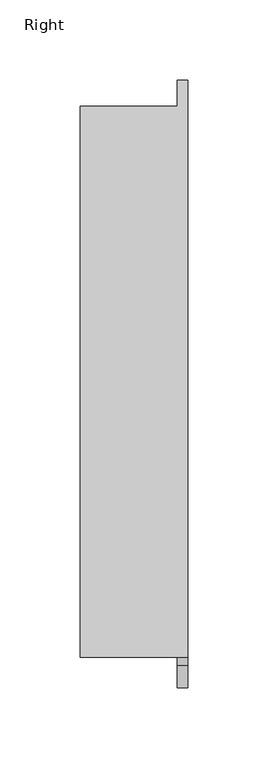
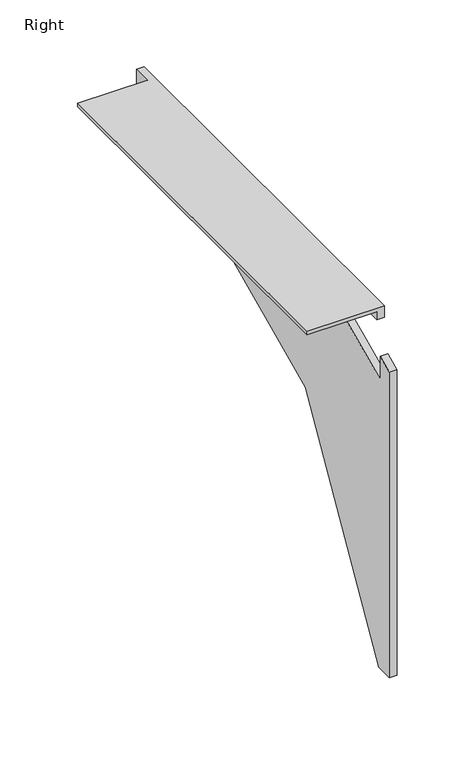
"""IFC4 building model written with IfcOpenShell, lengths in millimetres: furniture geometry, Right."""

from ifc_helpers import new_model, si_unit, origin, place, context, project, spatial, faceted_brep, source, transform, mapped, element, save


def right_431e3d68(model_context):
    return source(origin(), model_context, "Body", "Brep", [
        faceted_brep([(0.0, 18.8652729, 683.2686138), (0.0, 90.6996964, 682.9788786), (0.0, 93.4246754, 668.6474859), (0.0, 13.564579, 631.915353), (0.0, 13.564579, 653.112751), (0.0, 0.0, 646.9179983), (0.0, 0.0, 367.9598803), (0.0, 15.8528841, 367.9598803), (0.0, 126.1876465, 556.5973486), (0.0, 378.005924, 673.1603645), (0.0, 378.005924, 693.7373789), (0.0, 18.8652729, 693.7373789), (-6.3496124, 18.8652729, 683.2686138), (-6.3496124, 18.8652729, 690.6147928), (-6.3496124, 361.7652002, 690.6147928), (-6.3496124, 361.7652002, 693.7373789), (-6.3496124, 378.005924, 693.7373789), (-6.3496124, 378.005924, 673.1603645), (-6.3496124, 126.1876465, 556.5973486), (-6.3496124, 15.8528841, 367.9598803), (-6.3496124, 0.0, 367.9598803), (-6.3496124, 0.0, 646.9179983), (-6.3496124, 13.564579, 653.112751), (-6.3496124, 13.564579, 631.915353), (-6.3496124, 93.4246754, 668.6474859), (-6.3496124, 90.6996964, 682.9788786), (-66.802, 18.8651276, 693.7373789), (-66.802, 361.7652002, 693.7373789), (-66.802, 18.8652729, 690.6147928), (-66.802, 361.7652002, 690.6147928)], [[[0, 1, 2, 3, 4, 5, 6, 7, 8, 9, 10, 11]], [[12, 13, 14, 15, 16, 17, 18, 19, 20, 21, 22, 23, 24, 25]], [[26, 11, 10, 16, 15, 27]], [[9, 17, 16, 10]], [[8, 18, 17, 9]], [[7, 19, 18, 8]], [[6, 20, 19, 7]], [[5, 21, 20, 6]], [[4, 22, 21, 5]], [[3, 23, 22, 4]], [[2, 24, 23, 3]], [[1, 25, 24, 2]], [[0, 12, 25, 1]], [[26, 28, 13, 12, 0, 11]], [[29, 14, 13, 28]], [[27, 29, 28, 26]], [[27, 15, 14, 29]]]),
    ])


if __name__ == "__main__":
    model = new_model("IFC4")
    model_context = context("Model", 3, world=origin())
    ifc_project = project(units=[si_unit("LENGTHUNIT", "METRE", prefix="MILLI")], contexts=[model_context])
    site = spatial("IfcSite", under=ifc_project)
    building = spatial("IfcBuilding", under=site)
    placement = place(None, origin())
    right_shape = right_431e3d68(model_context)
    element("IfcFurniture", 1, ObjectType="Right", at=placement, inside=building, context=model_context, shape_type="MappedRepresentation", body=[
        mapped(right_shape, transform((0.0, 0.0, 0.0), x_axis=(1.0, 0.0, 0.0), y_axis=(0.0, 1.0, 0.0), z_axis=(0.0, 0.0, 1.0))),
    ])
    save(model, "model.ifc")
